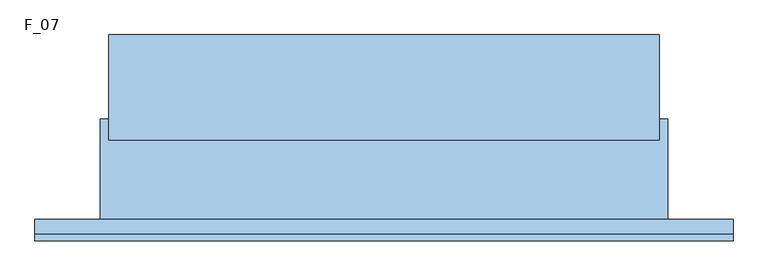
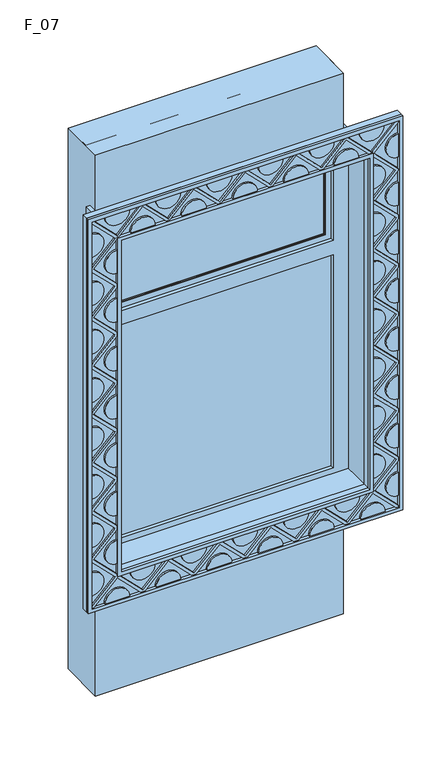
"""IFC4 building model written with IfcOpenShell, lengths in millimetres: window geometry, F_07."""

from ifc_helpers import new_model, si_unit, point, frame, frame_2d, origin, origin_with_axes, place, context, project, spatial, polyline, circle_curve, ellipse_curve, trimmed, segment, composite_curve, outline, extrude, faceted_brep, source, transform, mapped, element, save
from ifc_brep_helpers import plane_surface, revolved_surface, advanced_brep


def f_07_2378c978(model_context):
    return source(origin(), model_context, "Body", "SolidModel", [
        extrude(outline(polyline([(655.0, 220.0), (655.0, -30.0), (-655.0, -30.0), (-655.0, 220.0), (655.0, 220.0)])), origin_with_axes(), (0.0, 0.0, 1.0), 3020.0),
        extrude(outline(polyline([(2710.0, -675.0), (820.0, -675.0), (820.0, 675.0), (2710.0, 675.0), (2710.0, -675.0)]), holes=[polyline([(2690.0, -655.0), (2690.0, 655.0), (840.0, 655.0), (840.0, -655.0), (2690.0, -655.0)])]), frame((0.0, -270.0, 0.0), z_axis=(0.0, 1.0, 0.0), x_axis=(0.0, 0.0, 1.0)), (0.0, 0.0, 1.0), 15.0),
        extrude(outline(polyline([(665.0, -830.0), (665.0, 830.0), (2865.0, 830.0), (2865.0, -830.0), (665.0, -830.0)]), holes=[polyline([(2845.0, -810.0), (2845.0, 810.0), (685.0, 810.0), (685.0, -810.0), (2845.0, -810.0)])]), frame((0.0, -270.0, 0.0), z_axis=(0.0, 1.0, 0.0), x_axis=(0.0, 0.0, 1.0)), (0.0, 0.0, 1.0), 15.0),
        extrude(outline(polyline([(820.0, 685.6066017), (944.3933983, 810.0), (965.6066017, 810.0), (1090.0, 685.6066017), (1214.3933983, 810.0), (1235.6066017, 810.0), (1360.0, 685.6066017), (1484.3933983, 810.0), (1505.6066017, 810.0), (1630.0, 685.6066017), (1754.3933983, 810.0), (1775.6066017, 810.0), (1900.0, 685.6066017), (2024.3933983, 810.0), (2045.6066017, 810.0), (2170.0, 685.6066017), (2294.3933983, 810.0), (2315.6066017, 810.0), (2440.0, 685.6066017), (2564.3933983, 810.0), (2575.0, 810.0), (2704.6966991, 680.3033009), (2834.3933983, 810.0), (2845.0, 810.0), (2845.0, 799.3933983), (2715.3033009, 669.6966991), (2845.0, 540.0), (2845.0, 529.3933983), (2720.6066017, 405.0), (2845.0, 280.6066017), (2845.0, 259.3933983), (2720.6066017, 135.0), (2845.0, 10.6066017), (2845.0, -10.6066017), (2720.6066017, -135.0), (2845.0, -259.3933983), (2845.0, -280.6066017), (2720.6066017, -405.0), (2845.0, -529.3933983), (2845.0, -550.6066017), (2720.6066017, -675.0), (2845.0, -799.3933983), (2845.0, -810.0), (2834.3933983, -810.0), (2710.0, -685.6066017), (2585.6066017, -810.0), (2564.3933983, -810.0), (2440.0, -685.6066017), (2315.6066017, -810.0), (2294.3933983, -810.0), (2170.0, -685.6066017), (2045.6066017, -810.0), (2024.3933983, -810.0), (1900.0, -685.6066017), (1775.6066017, -810.0), (1754.3933983, -810.0), (1630.0, -685.6066017), (1505.6066017, -810.0), (1484.3933983, -810.0), (1360.0, -685.6066017), (1235.6066017, -810.0), (1214.3933983, -810.0), (1090.0, -685.6066017), (965.6066017, -810.0), (944.3933983, -810.0), (820.0, -685.6066017), (695.6066017, -810.0), (685.0, -810.0), (685.0, -799.3933983), (809.3933983, -675.0), (685.0, -550.6066017), (685.0, -529.3933983), (809.3933983, -405.0), (685.0, -280.6066017), (685.0, -259.3933983), (809.3933983, -135.0), (685.0, -10.6066017), (685.0, 10.6066017), (809.3933983, 135.0), (685.0, 259.3933983), (685.0, 280.6066017), (809.3933983, 405.0), (685.0, 529.3933983), (685.0, 550.6066017), (809.3933983, 675.0), (685.0, 799.3933983), (685.0, 810.0), (695.6066017, 810.0), (820.0, 685.6066017)]), holes=[polyline([(820.0, 664.3933983), (695.6066017, 540.0), (820.0, 415.6066017), (820.0, 394.3933983), (695.6066017, 270.0), (820.0, 145.6066017), (820.0, 124.3933983), (695.6066017, 0.0), (820.0, -124.3933983), (820.0, -145.6066017), (695.6066017, -270.0), (820.0, -394.3933983), (820.0, -415.6066017), (695.6066017, -540.0), (820.0, -664.3933983), (820.0, -675.0), (830.6066017, -675.0), (955.0, -799.3933983), (1079.3933983, -675.0), (1100.6066017, -675.0), (1225.0, -799.3933983), (1349.3933983, -675.0), (1370.6066017, -675.0), (1495.0, -799.3933983), (1619.3933983, -675.0), (1640.6066017, -675.0), (1765.0, -799.3933983), (1889.3933983, -675.0), (1910.6066017, -675.0), (2035.0, -799.3933983), (2159.3933983, -675.0), (2180.6066017, -675.0), (2305.0, -799.3933983), (2429.3933983, -675.0), (2450.6066017, -675.0), (2575.0, -799.3933983), (2699.3933983, -675.0), (2710.0, -675.0), (2710.0, -664.3933983), (2834.3933983, -540.0), (2710.0, -415.6066017), (2710.0, -394.3933983), (2834.3933983, -270.0), (2710.0, -145.6066017), (2710.0, -124.3933983), (2834.3933983, 0.0), (2710.0, 124.3933983), (2710.0, 145.6066017), (2834.3933983, 270.0), (2710.0, 394.3933983), (2710.0, 415.6066017), (2829.0900974, 534.6966991), (2710.0, 653.7867966), (2710.0, 675.0), (2688.7867966, 675.0), (2569.6966991, 794.0900974), (2450.6066017, 675.0), (2429.3933983, 675.0), (2305.0, 799.3933983), (2180.6066017, 675.0), (2159.3933983, 675.0), (2035.0, 799.3933983), (1910.6066017, 675.0), (1889.3933983, 675.0), (1765.0, 799.3933983), (1640.6066017, 675.0), (1619.3933983, 675.0), (1495.0, 799.3933983), (1370.6066017, 675.0), (1349.3933983, 675.0), (1225.0, 799.3933983), (1100.6066017, 675.0), (1079.3933983, 675.0), (955.0, 799.3933983), (830.6066017, 675.0), (820.0, 675.0), (820.0, 664.3933983)])]), frame((0.0, -265.0, 0.0), z_axis=(0.0, 1.0, 0.0), x_axis=(0.0, 0.0, 1.0)), (0.0, 0.0, 1.0), 10.0),
        extrude(outline(composite_curve([segment(polyline([(2845.0, 470.0), (2845.0, 340.0)]), True, "CONTINUOUS"), segment(trimmed(circle_curve(frame_2d((2845.0, 405.0)), 65.0), [point((2845.0, 340.0))], [point((2845.0, 470.0))], False, "CARTESIAN"), True, "CONTINUOUS")], self_intersect=False)), frame((0.0, -265.0, 0.0), z_axis=(0.0, 1.0, 0.0), x_axis=(0.0, 0.0, 1.0)), (0.0, 0.0, 1.0), 10.0),
        extrude(outline(composite_curve([segment(polyline([(2845.0, 200.0), (2845.0, 70.0)]), True, "CONTINUOUS"), segment(trimmed(circle_curve(frame_2d((2845.0, 135.0)), 65.0), [point((2845.0, 70.0))], [point((2845.0, 200.0))], False, "CARTESIAN"), True, "CONTINUOUS")], self_intersect=False)), frame((0.0, -265.0, 0.0), z_axis=(0.0, 1.0, 0.0), x_axis=(0.0, 0.0, 1.0)), (0.0, 0.0, 1.0), 10.0),
        extrude(outline(composite_curve([segment(polyline([(2845.0, -70.0), (2845.0, -200.0)]), True, "CONTINUOUS"), segment(trimmed(circle_curve(frame_2d((2845.0, -135.0)), 65.0), [point((2845.0, -200.0))], [point((2845.0, -70.0))], False, "CARTESIAN"), True, "CONTINUOUS")], self_intersect=False)), frame((0.0, -265.0, 0.0), z_axis=(0.0, 1.0, 0.0), x_axis=(0.0, 0.0, 1.0)), (0.0, 0.0, 1.0), 10.0),
        extrude(outline(composite_curve([segment(polyline([(2845.0, -340.0), (2845.0, -470.0)]), True, "CONTINUOUS"), segment(trimmed(circle_curve(frame_2d((2845.0, -405.0)), 65.0), [point((2845.0, -470.0))], [point((2845.0, -340.0))], False, "CARTESIAN"), True, "CONTINUOUS")], self_intersect=False)), frame((0.0, -265.0, 0.0), z_axis=(0.0, 1.0, 0.0), x_axis=(0.0, 0.0, 1.0)), (0.0, 0.0, 1.0), 10.0),
        extrude(outline(composite_curve([segment(polyline([(2845.0, -610.0), (2845.0, -740.0)]), True, "CONTINUOUS"), segment(trimmed(circle_curve(frame_2d((2845.0, -675.0)), 65.0), [point((2845.0, -740.0))], [point((2845.0, -610.0))], False, "CARTESIAN"), True, "CONTINUOUS")], self_intersect=False)), frame((0.0, -265.0, 0.0), z_axis=(0.0, 1.0, 0.0), x_axis=(0.0, 0.0, 1.0)), (0.0, 0.0, 1.0), 10.0),
        extrude(outline(composite_curve([segment(polyline([(2845.0, 735.0), (2845.0, 605.0)]), True, "CONTINUOUS"), segment(trimmed(circle_curve(frame_2d((2845.0, 670.0)), 65.0), [point((2845.0, 605.0))], [point((2845.0, 735.0))], False, "CARTESIAN"), True, "CONTINUOUS")], self_intersect=False)), frame((0.0, -265.0, 0.0), z_axis=(0.0, 1.0, 0.0), x_axis=(0.0, 0.0, 1.0)), (0.0, 0.0, 1.0), 10.0),
        extrude(outline(composite_curve([segment(trimmed(circle_curve(frame_2d((2710.0, 270.0)), 65.0), [point((2710.0, 335.0))], [point((2710.0, 205.0))], False, "CARTESIAN"), True, "CONTINUOUS"), segment(polyline([(2710.0, 205.0), (2710.0, 335.0)]), True, "CONTINUOUS")], self_intersect=False)), frame((0.0, -265.0, 0.0), z_axis=(0.0, 1.0, 0.0), x_axis=(0.0, 0.0, 1.0)), (0.0, 0.0, 1.0), 10.0),
        extrude(outline(composite_curve([segment(trimmed(circle_curve(frame_2d((2710.0, 534.6966991)), 65.0), [point((2710.0, 599.6966991))], [point((2710.0, 469.6966991))], False, "CARTESIAN"), True, "CONTINUOUS"), segment(polyline([(2710.0, 469.6966991), (2710.0, 599.6966991)]), True, "CONTINUOUS")], self_intersect=False)), frame((0.0, -265.0, 0.0), z_axis=(0.0, 1.0, 0.0), x_axis=(0.0, 0.0, 1.0)), (0.0, 0.0, 1.0), 10.0),
        extrude(outline(composite_curve([segment(trimmed(circle_curve(frame_2d((2710.0, 0.0)), 65.0), [point((2710.0, 65.0))], [point((2710.0, -65.0))], False, "CARTESIAN"), True, "CONTINUOUS"), segment(polyline([(2710.0, -65.0), (2710.0, 65.0)]), True, "CONTINUOUS")], self_intersect=False)), frame((0.0, -265.0, 0.0), z_axis=(0.0, 1.0, 0.0), x_axis=(0.0, 0.0, 1.0)), (0.0, 0.0, 1.0), 10.0),
        extrude(outline(composite_curve([segment(trimmed(circle_curve(frame_2d((2710.0, -270.0)), 65.0), [point((2710.0, -205.0))], [point((2710.0, -335.0))], False, "CARTESIAN"), True, "CONTINUOUS"), segment(polyline([(2710.0, -335.0), (2710.0, -205.0)]), True, "CONTINUOUS")], self_intersect=False)), frame((0.0, -265.0, 0.0), z_axis=(0.0, 1.0, 0.0), x_axis=(0.0, 0.0, 1.0)), (0.0, 0.0, 1.0), 10.0),
        extrude(outline(composite_curve([segment(trimmed(circle_curve(frame_2d((2710.0, -540.0)), 65.0), [point((2710.0, -475.0))], [point((2710.0, -605.0))], False, "CARTESIAN"), True, "CONTINUOUS"), segment(polyline([(2710.0, -605.0), (2710.0, -475.0)]), True, "CONTINUOUS")], self_intersect=False)), frame((0.0, -265.0, 0.0), z_axis=(0.0, 1.0, 0.0), x_axis=(0.0, 0.0, 1.0)), (0.0, 0.0, 1.0), 10.0),
        extrude(outline(composite_curve([segment(polyline([(820.0, 605.0), (820.0, 475.0)]), True, "CONTINUOUS"), segment(trimmed(circle_curve(frame_2d((820.0, 540.0)), 65.0), [point((820.0, 475.0))], [point((820.0, 605.0))], False, "CARTESIAN"), True, "CONTINUOUS")], self_intersect=False)), frame((0.0, -265.0, 0.0), z_axis=(0.0, 1.0, 0.0), x_axis=(0.0, 0.0, 1.0)), (0.0, 0.0, 1.0), 10.0),
        extrude(outline(composite_curve([segment(polyline([(820.0, 335.0), (820.0, 205.0)]), True, "CONTINUOUS"), segment(trimmed(circle_curve(frame_2d((820.0, 270.0)), 65.0), [point((820.0, 205.0))], [point((820.0, 335.0))], False, "CARTESIAN"), True, "CONTINUOUS")], self_intersect=False)), frame((0.0, -265.0, 0.0), z_axis=(0.0, 1.0, 0.0), x_axis=(0.0, 0.0, 1.0)), (0.0, 0.0, 1.0), 10.0),
        extrude(outline(composite_curve([segment(polyline([(820.0, 65.0), (820.0, -65.0)]), True, "CONTINUOUS"), segment(trimmed(circle_curve(frame_2d((820.0, 0.0)), 65.0), [point((820.0, -65.0))], [point((820.0, 65.0))], False, "CARTESIAN"), True, "CONTINUOUS")], self_intersect=False)), frame((0.0, -265.0, 0.0), z_axis=(0.0, 1.0, 0.0), x_axis=(0.0, 0.0, 1.0)), (0.0, 0.0, 1.0), 10.0),
        extrude(outline(composite_curve([segment(polyline([(820.0, -205.0), (820.0, -335.0)]), True, "CONTINUOUS"), segment(trimmed(circle_curve(frame_2d((820.0, -270.0)), 65.0), [point((820.0, -335.0))], [point((820.0, -205.0))], False, "CARTESIAN"), True, "CONTINUOUS")], self_intersect=False)), frame((0.0, -265.0, 0.0), z_axis=(0.0, 1.0, 0.0), x_axis=(0.0, 0.0, 1.0)), (0.0, 0.0, 1.0), 10.0),
        extrude(outline(composite_curve([segment(polyline([(820.0, -475.0), (820.0, -605.0)]), True, "CONTINUOUS"), segment(trimmed(circle_curve(frame_2d((820.0, -540.0)), 65.0), [point((820.0, -605.0))], [point((820.0, -475.0))], False, "CARTESIAN"), True, "CONTINUOUS")], self_intersect=False)), frame((0.0, -265.0, 0.0), z_axis=(0.0, 1.0, 0.0), x_axis=(0.0, 0.0, 1.0)), (0.0, 0.0, 1.0), 10.0),
        extrude(outline(composite_curve([segment(trimmed(circle_curve(frame_2d((685.0, 405.0)), 65.0), [point((685.0, 470.0))], [point((685.0, 340.0))], False, "CARTESIAN"), True, "CONTINUOUS"), segment(polyline([(685.0, 340.0), (685.0, 470.0)]), True, "CONTINUOUS")], self_intersect=False)), frame((0.0, -265.0, 0.0), z_axis=(0.0, 1.0, 0.0), x_axis=(0.0, 0.0, 1.0)), (0.0, 0.0, 1.0), 10.0),
        extrude(outline(composite_curve([segment(trimmed(circle_curve(frame_2d((685.0, 135.0)), 65.0), [point((685.0, 200.0))], [point((685.0, 70.0))], False, "CARTESIAN"), True, "CONTINUOUS"), segment(polyline([(685.0, 70.0), (685.0, 200.0)]), True, "CONTINUOUS")], self_intersect=False)), frame((0.0, -265.0, 0.0), z_axis=(0.0, 1.0, 0.0), x_axis=(0.0, 0.0, 1.0)), (0.0, 0.0, 1.0), 10.0),
        extrude(outline(composite_curve([segment(trimmed(circle_curve(frame_2d((685.0, 675.0)), 65.0), [point((685.0, 740.0))], [point((685.0, 610.0))], False, "CARTESIAN"), True, "CONTINUOUS"), segment(polyline([(685.0, 610.0), (685.0, 740.0)]), True, "CONTINUOUS")], self_intersect=False)), frame((0.0, -265.0, 0.0), z_axis=(0.0, 1.0, 0.0), x_axis=(0.0, 0.0, 1.0)), (0.0, 0.0, 1.0), 10.0),
        extrude(outline(composite_curve([segment(trimmed(circle_curve(frame_2d((685.0, -135.0)), 65.0), [point((685.0, -70.0))], [point((685.0, -200.0))], False, "CARTESIAN"), True, "CONTINUOUS"), segment(polyline([(685.0, -200.0), (685.0, -70.0)]), True, "CONTINUOUS")], self_intersect=False)), frame((0.0, -265.0, 0.0), z_axis=(0.0, 1.0, 0.0), x_axis=(0.0, 0.0, 1.0)), (0.0, 0.0, 1.0), 10.0),
        extrude(outline(composite_curve([segment(trimmed(circle_curve(frame_2d((685.0, -405.0)), 65.0), [point((685.0, -340.0))], [point((685.0, -470.0))], False, "CARTESIAN"), True, "CONTINUOUS"), segment(polyline([(685.0, -470.0), (685.0, -340.0)]), True, "CONTINUOUS")], self_intersect=False)), frame((0.0, -265.0, 0.0), z_axis=(0.0, 1.0, 0.0), x_axis=(0.0, 0.0, 1.0)), (0.0, 0.0, 1.0), 10.0),
        extrude(outline(composite_curve([segment(trimmed(circle_curve(frame_2d((685.0, -675.0)), 65.0), [point((685.0, -610.0))], [point((685.0, -740.0))], False, "CARTESIAN"), True, "CONTINUOUS"), segment(polyline([(685.0, -740.0), (685.0, -610.0)]), True, "CONTINUOUS")], self_intersect=False)), frame((0.0, -265.0, 0.0), z_axis=(0.0, 1.0, 0.0), x_axis=(0.0, 0.0, 1.0)), (0.0, 0.0, 1.0), 10.0),
        extrude(outline(composite_curve([segment(trimmed(circle_curve(frame_2d((1090.0, -810.0)), 65.0), [point((1025.0, -810.0))], [point((1155.0, -810.0))], False, "CARTESIAN"), True, "CONTINUOUS"), segment(polyline([(1155.0, -810.0), (1025.0, -810.0)]), True, "CONTINUOUS")], self_intersect=False)), frame((0.0, -265.0, 0.0), z_axis=(0.0, 1.0, 0.0), x_axis=(0.0, 0.0, 1.0)), (0.0, 0.0, 1.0), 10.0),
        extrude(outline(composite_curve([segment(trimmed(circle_curve(frame_2d((955.0, -675.0)), 65.0), [point((1020.0, -675.0))], [point((890.0, -675.0))], False, "CARTESIAN"), True, "CONTINUOUS"), segment(polyline([(890.0, -675.0), (1020.0, -675.0)]), True, "CONTINUOUS")], self_intersect=False)), frame((0.0, -265.0, 0.0), z_axis=(0.0, 1.0, 0.0), x_axis=(0.0, 0.0, 1.0)), (0.0, 0.0, 1.0), 10.0),
        extrude(outline(composite_curve([segment(trimmed(circle_curve(frame_2d((820.0, -810.0)), 65.0), [point((755.0, -810.0))], [point((885.0, -810.0))], False, "CARTESIAN"), True, "CONTINUOUS"), segment(polyline([(885.0, -810.0), (755.0, -810.0)]), True, "CONTINUOUS")], self_intersect=False)), frame((0.0, -265.0, 0.0), z_axis=(0.0, 1.0, 0.0), x_axis=(0.0, 0.0, 1.0)), (0.0, 0.0, 1.0), 10.0),
        extrude(outline(composite_curve([segment(trimmed(circle_curve(frame_2d((1360.0, -810.0)), 65.0), [point((1295.0, -810.0))], [point((1425.0, -810.0))], False, "CARTESIAN"), True, "CONTINUOUS"), segment(polyline([(1425.0, -810.0), (1295.0, -810.0)]), True, "CONTINUOUS")], self_intersect=False)), frame((0.0, -265.0, 0.0), z_axis=(0.0, 1.0, 0.0), x_axis=(0.0, 0.0, 1.0)), (0.0, 0.0, 1.0), 10.0),
        extrude(outline(composite_curve([segment(trimmed(circle_curve(frame_2d((1630.0, -810.0)), 65.0), [point((1565.0, -810.0))], [point((1695.0, -810.0))], False, "CARTESIAN"), True, "CONTINUOUS"), segment(polyline([(1695.0, -810.0), (1565.0, -810.0)]), True, "CONTINUOUS")], self_intersect=False)), frame((0.0, -265.0, 0.0), z_axis=(0.0, 1.0, 0.0), x_axis=(0.0, 0.0, 1.0)), (0.0, 0.0, 1.0), 10.0),
        extrude(outline(composite_curve([segment(trimmed(circle_curve(frame_2d((1900.0, -810.0)), 65.0), [point((1835.0, -810.0))], [point((1965.0, -810.0))], False, "CARTESIAN"), True, "CONTINUOUS"), segment(polyline([(1965.0, -810.0), (1835.0, -810.0)]), True, "CONTINUOUS")], self_intersect=False)), frame((0.0, -265.0, 0.0), z_axis=(0.0, 1.0, 0.0), x_axis=(0.0, 0.0, 1.0)), (0.0, 0.0, 1.0), 10.0),
        extrude(outline(composite_curve([segment(trimmed(circle_curve(frame_2d((2170.0, -810.0)), 65.0), [point((2105.0, -810.0))], [point((2235.0, -810.0))], False, "CARTESIAN"), True, "CONTINUOUS"), segment(polyline([(2235.0, -810.0), (2105.0, -810.0)]), True, "CONTINUOUS")], self_intersect=False)), frame((0.0, -265.0, 0.0), z_axis=(0.0, 1.0, 0.0), x_axis=(0.0, 0.0, 1.0)), (0.0, 0.0, 1.0), 10.0),
        extrude(outline(composite_curve([segment(trimmed(circle_curve(frame_2d((2440.0, -810.0)), 65.0), [point((2375.0, -810.0))], [point((2505.0, -810.0))], False, "CARTESIAN"), True, "CONTINUOUS"), segment(polyline([(2505.0, -810.0), (2375.0, -810.0)]), True, "CONTINUOUS")], self_intersect=False)), frame((0.0, -265.0, 0.0), z_axis=(0.0, 1.0, 0.0), x_axis=(0.0, 0.0, 1.0)), (0.0, 0.0, 1.0), 10.0),
        extrude(outline(composite_curve([segment(trimmed(circle_curve(frame_2d((2710.0, -810.0)), 65.0), [point((2645.0, -810.0))], [point((2775.0, -810.0))], False, "CARTESIAN"), True, "CONTINUOUS"), segment(polyline([(2775.0, -810.0), (2645.0, -810.0)]), True, "CONTINUOUS")], self_intersect=False)), frame((0.0, -265.0, 0.0), z_axis=(0.0, 1.0, 0.0), x_axis=(0.0, 0.0, 1.0)), (0.0, 0.0, 1.0), 10.0),
        extrude(outline(composite_curve([segment(trimmed(circle_curve(frame_2d((2569.6966991, 675.0)), 65.0), [point((2504.6966991, 675.0))], [point((2634.6966991, 675.0))], False, "CARTESIAN"), True, "CONTINUOUS"), segment(polyline([(2634.6966991, 675.0), (2504.6966991, 675.0)]), True, "CONTINUOUS")], self_intersect=False)), frame((0.0, -265.0, 0.0), z_axis=(0.0, 1.0, 0.0), x_axis=(0.0, 0.0, 1.0)), (0.0, 0.0, 1.0), 10.0),
        extrude(outline(composite_curve([segment(trimmed(circle_curve(frame_2d((2305.0, 675.0)), 65.0), [point((2240.0, 675.0))], [point((2370.0, 675.0))], False, "CARTESIAN"), True, "CONTINUOUS"), segment(polyline([(2370.0, 675.0), (2240.0, 675.0)]), True, "CONTINUOUS")], self_intersect=False)), frame((0.0, -265.0, 0.0), z_axis=(0.0, 1.0, 0.0), x_axis=(0.0, 0.0, 1.0)), (0.0, 0.0, 1.0), 10.0),
        extrude(outline(composite_curve([segment(trimmed(circle_curve(frame_2d((2035.0, 675.0)), 65.0), [point((1970.0, 675.0))], [point((2100.0, 675.0))], False, "CARTESIAN"), True, "CONTINUOUS"), segment(polyline([(2100.0, 675.0), (1970.0, 675.0)]), True, "CONTINUOUS")], self_intersect=False)), frame((0.0, -265.0, 0.0), z_axis=(0.0, 1.0, 0.0), x_axis=(0.0, 0.0, 1.0)), (0.0, 0.0, 1.0), 10.0),
        extrude(outline(composite_curve([segment(trimmed(circle_curve(frame_2d((1765.0, 675.0)), 65.0), [point((1700.0, 675.0))], [point((1830.0, 675.0))], False, "CARTESIAN"), True, "CONTINUOUS"), segment(polyline([(1830.0, 675.0), (1700.0, 675.0)]), True, "CONTINUOUS")], self_intersect=False)), frame((0.0, -265.0, 0.0), z_axis=(0.0, 1.0, 0.0), x_axis=(0.0, 0.0, 1.0)), (0.0, 0.0, 1.0), 10.0),
        extrude(outline(composite_curve([segment(trimmed(circle_curve(frame_2d((1225.0, 675.0)), 65.0), [point((1160.0, 675.0))], [point((1290.0, 675.0))], False, "CARTESIAN"), True, "CONTINUOUS"), segment(polyline([(1290.0, 675.0), (1160.0, 675.0)]), True, "CONTINUOUS")], self_intersect=False)), frame((0.0, -265.0, 0.0), z_axis=(0.0, 1.0, 0.0), x_axis=(0.0, 0.0, 1.0)), (0.0, 0.0, 1.0), 10.0),
        extrude(outline(composite_curve([segment(trimmed(circle_curve(frame_2d((955.0, 675.0)), 65.0), [point((890.0, 675.0))], [point((1020.0, 675.0))], False, "CARTESIAN"), True, "CONTINUOUS"), segment(polyline([(1020.0, 675.0), (890.0, 675.0)]), True, "CONTINUOUS")], self_intersect=False)), frame((0.0, -265.0, 0.0), z_axis=(0.0, 1.0, 0.0), x_axis=(0.0, 0.0, 1.0)), (0.0, 0.0, 1.0), 10.0),
        extrude(outline(composite_curve([segment(trimmed(circle_curve(frame_2d((1495.0, 675.0)), 65.0), [point((1430.0, 675.0))], [point((1560.0, 675.0))], False, "CARTESIAN"), True, "CONTINUOUS"), segment(polyline([(1560.0, 675.0), (1430.0, 675.0)]), True, "CONTINUOUS")], self_intersect=False)), frame((0.0, -265.0, 0.0), z_axis=(0.0, 1.0, 0.0), x_axis=(0.0, 0.0, 1.0)), (0.0, 0.0, 1.0), 10.0),
        extrude(outline(composite_curve([segment(trimmed(circle_curve(frame_2d((1225.0, -675.0)), 65.0), [point((1290.0, -675.0))], [point((1160.0, -675.0))], False, "CARTESIAN"), True, "CONTINUOUS"), segment(polyline([(1160.0, -675.0), (1290.0, -675.0)]), True, "CONTINUOUS")], self_intersect=False)), frame((0.0, -265.0, 0.0), z_axis=(0.0, 1.0, 0.0), x_axis=(0.0, 0.0, 1.0)), (0.0, 0.0, 1.0), 10.0),
        extrude(outline(composite_curve([segment(trimmed(circle_curve(frame_2d((1495.0, -675.0)), 65.0), [point((1560.0, -675.0))], [point((1430.0, -675.0))], False, "CARTESIAN"), True, "CONTINUOUS"), segment(polyline([(1430.0, -675.0), (1560.0, -675.0)]), True, "CONTINUOUS")], self_intersect=False)), frame((0.0, -265.0, 0.0), z_axis=(0.0, 1.0, 0.0), x_axis=(0.0, 0.0, 1.0)), (0.0, 0.0, 1.0), 10.0),
        extrude(outline(composite_curve([segment(trimmed(circle_curve(frame_2d((1765.0, -675.0)), 65.0), [point((1830.0, -675.0))], [point((1700.0, -675.0))], False, "CARTESIAN"), True, "CONTINUOUS"), segment(polyline([(1700.0, -675.0), (1830.0, -675.0)]), True, "CONTINUOUS")], self_intersect=False)), frame((0.0, -265.0, 0.0), z_axis=(0.0, 1.0, 0.0), x_axis=(0.0, 0.0, 1.0)), (0.0, 0.0, 1.0), 10.0),
        extrude(outline(composite_curve([segment(trimmed(circle_curve(frame_2d((2035.0, -675.0)), 65.0), [point((2100.0, -675.0))], [point((1970.0, -675.0))], False, "CARTESIAN"), True, "CONTINUOUS"), segment(polyline([(1970.0, -675.0), (2100.0, -675.0)]), True, "CONTINUOUS")], self_intersect=False)), frame((0.0, -265.0, 0.0), z_axis=(0.0, 1.0, 0.0), x_axis=(0.0, 0.0, 1.0)), (0.0, 0.0, 1.0), 10.0),
        extrude(outline(composite_curve([segment(trimmed(circle_curve(frame_2d((2305.0, -675.0)), 65.0), [point((2370.0, -675.0))], [point((2240.0, -675.0))], False, "CARTESIAN"), True, "CONTINUOUS"), segment(polyline([(2240.0, -675.0), (2370.0, -675.0)]), True, "CONTINUOUS")], self_intersect=False)), frame((0.0, -265.0, 0.0), z_axis=(0.0, 1.0, 0.0), x_axis=(0.0, 0.0, 1.0)), (0.0, 0.0, 1.0), 10.0),
        extrude(outline(composite_curve([segment(trimmed(circle_curve(frame_2d((2575.0, -675.0)), 65.0), [point((2640.0, -675.0))], [point((2510.0, -675.0))], False, "CARTESIAN"), True, "CONTINUOUS"), segment(polyline([(2510.0, -675.0), (2640.0, -675.0)]), True, "CONTINUOUS")], self_intersect=False)), frame((0.0, -265.0, 0.0), z_axis=(0.0, 1.0, 0.0), x_axis=(0.0, 0.0, 1.0)), (0.0, 0.0, 1.0), 10.0),
        extrude(outline(composite_curve([segment(trimmed(circle_curve(frame_2d((2704.6966991, 810.0)), 65.0), [point((2769.6966991, 810.0))], [point((2639.6966991, 810.0))], False, "CARTESIAN"), True, "CONTINUOUS"), segment(polyline([(2639.6966991, 810.0), (2769.6966991, 810.0)]), True, "CONTINUOUS")], self_intersect=False)), frame((0.0, -265.0, 0.0), z_axis=(0.0, 1.0, 0.0), x_axis=(0.0, 0.0, 1.0)), (0.0, 0.0, 1.0), 10.0),
        extrude(outline(composite_curve([segment(trimmed(circle_curve(frame_2d((2434.6966991, 810.0)), 65.0), [point((2499.6966991, 810.0))], [point((2369.6966991, 810.0))], False, "CARTESIAN"), True, "CONTINUOUS"), segment(polyline([(2369.6966991, 810.0), (2499.6966991, 810.0)]), True, "CONTINUOUS")], self_intersect=False)), frame((0.0, -265.0, 0.0), z_axis=(0.0, 1.0, 0.0), x_axis=(0.0, 0.0, 1.0)), (0.0, 0.0, 1.0), 10.0),
        extrude(outline(composite_curve([segment(trimmed(circle_curve(frame_2d((2164.6966991, 810.0)), 65.0), [point((2229.6966991, 810.0))], [point((2099.6966991, 810.0))], False, "CARTESIAN"), True, "CONTINUOUS"), segment(polyline([(2099.6966991, 810.0), (2229.6966991, 810.0)]), True, "CONTINUOUS")], self_intersect=False)), frame((0.0, -265.0, 0.0), z_axis=(0.0, 1.0, 0.0), x_axis=(0.0, 0.0, 1.0)), (0.0, 0.0, 1.0), 10.0),
        extrude(outline(composite_curve([segment(trimmed(circle_curve(frame_2d((1894.6966991, 810.0)), 65.0), [point((1959.6966991, 810.0))], [point((1829.6966991, 810.0))], False, "CARTESIAN"), True, "CONTINUOUS"), segment(polyline([(1829.6966991, 810.0), (1959.6966991, 810.0)]), True, "CONTINUOUS")], self_intersect=False)), frame((0.0, -265.0, 0.0), z_axis=(0.0, 1.0, 0.0), x_axis=(0.0, 0.0, 1.0)), (0.0, 0.0, 1.0), 10.0),
        extrude(outline(composite_curve([segment(trimmed(circle_curve(frame_2d((1624.6966991, 810.0)), 65.0), [point((1689.6966991, 810.0))], [point((1559.6966991, 810.0))], False, "CARTESIAN"), True, "CONTINUOUS"), segment(polyline([(1559.6966991, 810.0), (1689.6966991, 810.0)]), True, "CONTINUOUS")], self_intersect=False)), frame((0.0, -265.0, 0.0), z_axis=(0.0, 1.0, 0.0), x_axis=(0.0, 0.0, 1.0)), (0.0, 0.0, 1.0), 10.0),
        extrude(outline(composite_curve([segment(trimmed(circle_curve(frame_2d((1354.6966991, 810.0)), 65.0), [point((1419.6966991, 810.0))], [point((1289.6966991, 810.0))], False, "CARTESIAN"), True, "CONTINUOUS"), segment(polyline([(1289.6966991, 810.0), (1419.6966991, 810.0)]), True, "CONTINUOUS")], self_intersect=False)), frame((0.0, -265.0, 0.0), z_axis=(0.0, 1.0, 0.0), x_axis=(0.0, 0.0, 1.0)), (0.0, 0.0, 1.0), 10.0),
        extrude(outline(composite_curve([segment(trimmed(circle_curve(frame_2d((1084.6966991, 810.0)), 65.0), [point((1149.6966991, 810.0))], [point((1019.6966991, 810.0))], False, "CARTESIAN"), True, "CONTINUOUS"), segment(polyline([(1019.6966991, 810.0), (1149.6966991, 810.0)]), True, "CONTINUOUS")], self_intersect=False)), frame((0.0, -265.0, 0.0), z_axis=(0.0, 1.0, 0.0), x_axis=(0.0, 0.0, 1.0)), (0.0, 0.0, 1.0), 10.0),
        extrude(outline(composite_curve([segment(trimmed(circle_curve(frame_2d((814.6966991, 810.0)), 65.0), [point((879.6966991, 810.0))], [point((749.6966991, 810.0))], False, "CARTESIAN"), True, "CONTINUOUS"), segment(polyline([(749.6966991, 810.0), (879.6966991, 810.0)]), True, "CONTINUOUS")], self_intersect=False)), frame((0.0, -265.0, 0.0), z_axis=(0.0, 1.0, 0.0), x_axis=(0.0, 0.0, 1.0)), (0.0, 0.0, 1.0), 10.0),
        extrude(outline(polyline([(665.0, -830.0), (665.0, 830.0), (2865.0, 830.0), (2865.0, -830.0), (665.0, -830.0)]), holes=[polyline([(2690.0, -655.0), (2690.0, 655.0), (840.0, 655.0), (840.0, -655.0), (2690.0, -655.0)])]), frame((0.0, -255.0, 0.0), z_axis=(0.0, 1.0, 0.0), x_axis=(0.0, 0.0, 1.0)), (0.0, 0.0, 1.0), 35.0),
        faceted_brep([(610.0, 126.0115087, 2975.0), (610.0, 126.0115087, 2735.0), (610.0, 136.0115087, 2735.0), (610.0, 136.0115087, 2975.0), (575.0, 136.0115087, 2770.0), (575.0, 131.0115087, 2770.0), (575.0, 131.0115087, 2940.0), (575.0, 136.0115087, 2940.0), (580.0, 141.0115087, 2945.0), (580.0, 141.0115087, 2765.0), (580.0, 136.0115087, 2765.0), (580.0, 136.0115087, 2945.0), (605.0, 136.0115087, 2970.0), (605.0, 136.0115087, 2740.0), (605.0, 141.0115087, 2740.0), (605.0, 141.0115087, 2970.0), (-610.0, 126.0115087, 2735.0), (-610.0, 136.0115087, 2735.0), (-575.0, 136.0115087, 2770.0), (-575.0, 131.0115087, 2770.0), (-580.0, 141.0115087, 2765.0), (-580.0, 136.0115087, 2765.0), (-605.0, 136.0115087, 2740.0), (-605.0, 141.0115087, 2740.0), (-610.0, 126.0115087, 2975.0), (-610.0, 136.0115087, 2975.0), (-575.0, 136.0115087, 2940.0), (-575.0, 131.0115087, 2940.0), (-580.0, 141.0115087, 2945.0), (-580.0, 136.0115087, 2945.0), (-605.0, 136.0115087, 2970.0), (-605.0, 141.0115087, 2970.0)], [[[0, 1, 2, 3]], [[4, 5, 6, 7]], [[8, 9, 10, 11]], [[12, 13, 14, 15]], [[1, 16, 17, 2]], [[18, 19, 5, 4]], [[9, 20, 21, 10]], [[13, 22, 23, 14]], [[16, 24, 25, 17]], [[26, 27, 19, 18]], [[20, 28, 29, 21]], [[22, 30, 31, 23]], [[3, 25, 24, 0]], [[7, 6, 27, 26]], [[10, 21, 29, 11], [7, 26, 18, 4]], [[11, 29, 28, 8]], [[14, 23, 31, 15], [8, 28, 20, 9]], [[15, 31, 30, 12]], [[2, 17, 25, 3], [12, 30, 22, 13]], [[5, 19, 27, 6]], [[0, 24, 16, 1]]]),
        extrude(outline(polyline([(655.0, 126.0115087), (655.0, 60.0115087), (-655.0, 60.0115087), (-655.0, 126.0115087), (655.0, 126.0115087)])), frame((0.0, 0.0, 2690.0), z_axis=(0.0, 0.0, 1.0), x_axis=(1.0, 0.0, 0.0)), (0.0, 0.0, 1.0), 330.0),
        extrude(outline(polyline([(67.2514037, 1361.1787194), (70.0115087, 1363.9388244), (70.0115087, 2690.0), (71.0115087, 2690.0), (71.0115087, 1363.5246108), (67.8266265, 1360.3397286), (60.0, 1356.876336), (60.0, 1357.969871), (67.2514037, 1361.1787194)])), frame((615.0, 0.0, 0.0), z_axis=(1.0, 0.0, 0.0), x_axis=(0.0, 1.0, 0.0)), (0.0, 0.0, 1.0), 20.0),
        extrude(outline(polyline([(612.5, 66.8371902), (637.5, 66.8371902), (637.5, 60.0), (612.5, 60.0), (612.5, 66.8371902)])), frame((0.0, 0.0, 1352.7610226), z_axis=(0.0, 0.0, 1.0), x_axis=(1.0, 0.0, 0.0)), (0.0, 0.0, 1.0), 1.0),
        extrude(outline(polyline([(66.8371902, 1362.1787194), (69.304402, 1364.6459312), (70.0115087, 1363.9388244), (67.2514037, 1361.1787194), (60.0, 1361.1787194), (60.0, 1362.1787194), (66.8371902, 1362.1787194)])), frame((612.5, 0.0, 0.0), z_axis=(1.0, 0.0, 0.0), x_axis=(0.0, 1.0, 0.0)), (0.0, 0.0, 1.0), 25.0),
        extrude(outline(polyline([(1520.0, 605.0), (1300.0, 605.0), (1300.0, 645.0), (1520.0, 645.0), (1520.0, 605.0)]), holes=[polyline([(1362.1787194, 612.5), (1362.1787194, 637.5), (1352.7610226, 637.5), (1352.7610226, 612.5), (1362.1787194, 612.5)])]), frame((0.0, 60.0, 0.0), z_axis=(0.0, 1.0, 0.0), x_axis=(0.0, 0.0, 1.0)), (0.0, 0.0, 1.0), 2.0),
        advanced_brep(
        [(-28.5497704, 90.2287724, 1428.0503471), (-14.693364, 90.2287724, 1420.0503471), (14.693364, 90.2287724, 1502.9496529), (28.5497704, 90.2287724, 1494.9496529)],
        [
            (0, 1, ellipse_curve(frame((-21.6215672, 90.2287724, 1424.0503471), z_axis=(-0.46984631039295827, -0.3420201433256777, -0.8137976813493676), x_axis=(0.8660254037844349, 0.0, -0.5000000000000066)), 8.0, 3.5)),
            (1, 0, ellipse_curve(frame((-21.6215672, 90.2287724, 1424.0503471), z_axis=(-0.46984631039295827, -0.3420201433256777, -0.8137976813493676), x_axis=(0.8660254037844349, 0.0, -0.5000000000000066)), 8.0, 3.5)),
            (2, 3, ellipse_curve(frame((21.6215672, 90.2287724, 1498.9496529), z_axis=(0.46984631039296154, -0.3420201433256599, 0.8137976813493732), x_axis=(0.8660254037844355, 0.0, -0.5000000000000056)), 8.0, 3.5)),
            (3, 2, ellipse_curve(frame((21.6215672, 90.2287724, 1498.9496529), z_axis=(0.46984631039296154, -0.3420201433256599, 0.8137976813493732), x_axis=(0.8660254037844355, 0.0, -0.5000000000000056)), 8.0, 3.5)),
            (2, 0, circle_curve(frame((-6.9282032, -28.580763, 1465.5), z_axis=(-0.8660254037844353, 0.0, 0.500000000000006), x_axis=(-0.1710100716628409, 0.9396926207859051, -0.29619813272603046)), 126.4344667)),
            (1, 3, circle_curve(frame((6.9282032, -28.580763, 1457.5), z_axis=(0.8660254037844353, 0.0, -0.500000000000006), x_axis=(-0.1710100716628409, 0.9396926207859051, -0.29619813272603046)), 126.4344667)),
        ],
        [
            plane_surface(frame((40.0926994, 87.5471681, 1389.5466142), z_axis=(-0.4698463103929582, -0.34202014332567776, -0.8137976813493677), x_axis=(-0.8660254037844352, 0.0, 0.500000000000006))),
            plane_surface(frame((82.3598097, 87.5471681, 1462.7553967), z_axis=(0.4698463103929615, -0.34202014332565983, 0.8137976813493734), x_axis=(-0.8660254037844352, 0.0, 0.500000000000006))),
            revolved_surface(trimmed(ellipse_curve(frame((-21.6215672, 90.2287724, 1424.0503471), z_axis=(0.46984631039295827, 0.3420201433256777, 0.8137976813493676), x_axis=(0.8660254037844349, 0.0, -0.5000000000000066)), 8.0, 3.5), [point((-28.5497704, 90.2287724, 1428.0503471))], [point((-14.693364, 90.2287724, 1420.0503471))], True, "CARTESIAN"), (61.2262546, -28.580763, 1426.1510055), (-0.8660254037844353, 0.0, 0.500000000000006)),
            revolved_surface(trimmed(ellipse_curve(frame((-21.6215672, 90.2287724, 1424.0503471), z_axis=(0.46984631039295827, 0.3420201433256777, 0.8137976813493676), x_axis=(0.8660254037844349, 0.0, -0.5000000000000066)), 8.0, 3.5), [point((-14.693364, 90.2287724, 1420.0503471))], [point((-28.5497704, 90.2287724, 1428.0503471))], True, "CARTESIAN"), (61.2262546, -28.580763, 1426.1510055), (-0.8660254037844353, 0.0, 0.500000000000006)),
        ],
        [
            (0, [[1, 2]]),
            (1, [[3, 4]]),
            (2, [[-3, 5, -2, 6]]),
            (3, [[-4, -6, -1, -5]]),
        ],
    ),
        extrude(outline(composite_curve([segment(trimmed(circle_curve(frame_2d((1461.5, 0.0)), 3.5), [point((1461.5, -3.5))], [point((1461.5, 3.5))], False, "CARTESIAN"), True, "CONTINUOUS"), segment(trimmed(circle_curve(frame_2d((1461.5, 0.0)), 3.5), [point((1461.5, 3.5))], [point((1461.5, -3.5))], False, "CARTESIAN"), True, "CONTINUOUS")], self_intersect=False)), frame((0.0, 85.0, 0.0), z_axis=(0.0, 1.0, 0.0), x_axis=(0.0, 0.0, 1.0)), (0.0, 0.0, 1.0), 10.0),
        extrude(outline(composite_curve([segment(polyline([(1525.8020109, -15.0), (1395.8020109, -15.0)]), True, "CONTINUOUS"), segment(trimmed(circle_curve(frame_2d((1395.8020109, 0.0)), 15.0), [point((1395.8020109, -15.0))], [point((1395.8020109, 15.0))], False, "CARTESIAN"), True, "CONTINUOUS"), segment(polyline([(1395.8020109, 15.0), (1525.8020109, 15.0)]), True, "CONTINUOUS"), segment(trimmed(circle_curve(frame_2d((1525.8020109, 0.0)), 15.0), [point((1525.8020109, 15.0))], [point((1525.8020109, -15.0))], False, "CARTESIAN"), True, "CONTINUOUS")], self_intersect=False)), frame((0.0, 80.0, 0.0), z_axis=(0.0, 1.0, 0.0), x_axis=(0.0, 0.0, 1.0)), (0.0, 0.0, 1.0), 5.0),
        faceted_brep([(-655.0, -50.0, 840.0), (655.0, -50.0, 840.0), (655.0, -74.0, 840.0), (-655.0, -74.0, 840.0), (-655.0, -50.0, 2690.0), (-655.0, -74.0, 2690.0), (655.0, -74.0, 2690.0), (-575.0, -74.0, 2620.0), (575.0, -74.0, 2620.0), (575.0, -74.0, 2140.0), (-575.0, -74.0, 2140.0), (-575.0, -74.0, 2060.0), (575.0, -74.0, 2060.0), (575.0, -74.0, 870.0), (-575.0, -74.0, 870.0), (655.0, -50.0, 2690.0), (-585.0, -50.0, 2630.0), (-585.0, -50.0, 2130.0), (585.0, -50.0, 2130.0), (585.0, -50.0, 2630.0), (585.0, -50.0, 2070.0), (-585.0, -50.0, 2070.0), (-585.0, -50.0, 860.0), (585.0, -50.0, 860.0), (-575.0, -55.0, 870.0), (-575.0, -55.0, 2060.0), (-575.0, -55.0, 2140.0), (-575.0, -55.0, 2620.0), (575.0, -55.0, 870.0), (575.0, -55.0, 2060.0), (575.0, -55.0, 2620.0), (575.0, -55.0, 2140.0), (585.0, -55.0, 860.0), (585.0, -55.0, 2070.0), (585.0, -55.0, 2130.0), (585.0, -55.0, 2630.0), (-585.0, -55.0, 860.0), (-585.0, -55.0, 2070.0), (-585.0, -55.0, 2630.0), (-585.0, -55.0, 2130.0)], [[[0, 1, 2, 3]], [[4, 0, 3, 5]], [[2, 6, 5, 3], [7, 8, 9, 10], [11, 12, 13, 14]], [[6, 2, 1, 15]], [[0, 4, 15, 1], [16, 17, 18, 19], [20, 21, 22, 23]], [[11, 14, 24, 25]], [[7, 10, 26, 27]], [[24, 14, 13, 28]], [[29, 28, 13, 12]], [[8, 30, 31, 9]], [[20, 23, 32, 33]], [[18, 34, 35, 19]], [[22, 36, 32, 23]], [[36, 22, 21, 37]], [[38, 39, 17, 16]], [[33, 32, 36, 37], [25, 24, 28, 29]], [[38, 35, 34, 39], [26, 31, 30, 27]], [[5, 6, 15, 4]], [[27, 30, 8, 7]], [[19, 35, 38, 16]], [[25, 29, 12, 11]], [[20, 33, 37, 21]], [[17, 39, 34, 18]], [[10, 9, 31, 26]]]),
        faceted_brep([(655.0, 100.0, 840.0), (655.0, 100.0, 810.0), (-655.0, 100.0, 810.0), (-655.0, 100.0, 840.0), (655.0, 20.0, 840.0), (-655.0, 20.0, 840.0), (-655.0, 20.0, 810.0), (655.0, 20.0, 810.0), (-655.0, 50.0, 840.0), (655.0, 50.0, 840.0), (655.0, 26.0, 840.0), (-655.0, 26.0, 840.0), (-655.0, 26.0, 2690.0), (-655.0, 50.0, 2690.0), (655.0, 50.0, 2690.0), (655.0, 26.0, 2690.0), (585.0, 50.0, 2130.0), (585.0, 50.0, 2630.0), (-585.0, 50.0, 2630.0), (-585.0, 50.0, 2130.0), (585.0, 50.0, 2070.0), (-585.0, 50.0, 2070.0), (-585.0, 50.0, 860.0), (585.0, 50.0, 860.0), (-575.0, 26.0, 2140.0), (-575.0, 26.0, 2620.0), (575.0, 26.0, 2620.0), (575.0, 26.0, 2140.0), (-575.0, 26.0, 2060.0), (575.0, 26.0, 2060.0), (575.0, 26.0, 870.0), (-575.0, 26.0, 870.0), (-575.0, 45.0, 870.0), (-575.0, 45.0, 2060.0), (-575.0, 45.0, 2140.0), (-575.0, 45.0, 2620.0), (575.0, 45.0, 870.0), (575.0, 45.0, 2060.0), (575.0, 45.0, 2620.0), (575.0, 45.0, 2140.0), (585.0, 45.0, 860.0), (585.0, 45.0, 2070.0), (585.0, 45.0, 2130.0), (585.0, 45.0, 2630.0), (-585.0, 45.0, 860.0), (-585.0, 45.0, 2070.0), (-585.0, 45.0, 2630.0), (-585.0, 45.0, 2130.0)], [[[0, 1, 2, 3]], [[4, 5, 6, 7]], [[3, 8, 9, 0]], [[4, 10, 11, 5]], [[2, 6, 5, 11, 12, 13, 8, 3]], [[1, 7, 6, 2]], [[0, 9, 14, 15, 10, 4, 7, 1]], [[13, 14, 9, 8], [16, 17, 18, 19], [20, 21, 22, 23]], [[11, 10, 15, 12], [24, 25, 26, 27], [28, 29, 30, 31]], [[28, 31, 32, 33]], [[34, 35, 25, 24]], [[32, 31, 30, 36]], [[37, 36, 30, 29]], [[27, 26, 38, 39]], [[20, 23, 40, 41]], [[42, 43, 17, 16]], [[22, 44, 40, 23]], [[44, 22, 21, 45]], [[19, 18, 46, 47]], [[41, 40, 44, 45], [33, 32, 36, 37]], [[47, 46, 43, 42], [39, 38, 35, 34]], [[12, 15, 14, 13]], [[38, 26, 25, 35]], [[17, 43, 46, 18]], [[33, 37, 29, 28]], [[20, 41, 45, 21]], [[19, 47, 42, 16]], [[24, 27, 39, 34]]]),
        extrude(outline(polyline([(2710.0, -675.0), (840.0, -675.0), (810.0, -675.0), (810.0, 675.0), (840.0, 675.0), (2710.0, 675.0), (2710.0, -675.0)]), holes=[polyline([(840.0, 655.0), (840.0, -655.0), (2690.0, -655.0), (2690.0, 655.0), (840.0, 655.0)])]), frame((0.0, -220.0, 0.0), z_axis=(0.0, 1.0, 0.0), x_axis=(0.0, 0.0, 1.0)), (0.0, 0.0, 1.0), 240.0),
        extrude(outline(polyline([(540.0, 57.0), (540.0, 53.0), (-540.0, 53.0), (-540.0, 57.0), (540.0, 57.0)])), frame((0.0, 0.0, 2175.0), z_axis=(0.0, 0.0, 1.0), x_axis=(1.0, 0.0, 0.0)), (0.0, 0.0, 1.0), 410.0),
        extrude(outline(polyline([(540.0, -43.0), (540.0, -47.0), (-540.0, -47.0), (-540.0, -43.0), (540.0, -43.0)])), frame((0.0, 0.0, 2175.0), z_axis=(0.0, 0.0, 1.0), x_axis=(1.0, 0.0, 0.0)), (0.0, 0.0, 1.0), 410.0),
        faceted_brep([(-545.0, -50.0, 2590.0), (545.0, -50.0, 2590.0), (545.0, -55.0, 2590.0), (-545.0, -55.0, 2590.0), (545.0, -50.0, 2170.0), (545.0, -55.0, 2170.0), (585.0, -55.0, 2130.0), (585.0, -55.0, 2630.0), (-585.0, -55.0, 2630.0), (-585.0, -55.0, 2130.0), (-545.0, -55.0, 2170.0), (-545.0, -50.0, 2170.0), (540.0, -50.0, 2585.0), (540.0, -50.0, 2175.0), (-540.0, -50.0, 2175.0), (-540.0, -50.0, 2585.0), (-540.0, -40.0, 2585.0), (540.0, -40.0, 2585.0), (540.0, -40.0, 2175.0), (545.0, -40.0, 2590.0), (545.0, -40.0, 2170.0), (-545.0, -40.0, 2170.0), (-545.0, -40.0, 2590.0), (-540.0, -40.0, 2175.0), (-545.0, -35.0, 2590.0), (545.0, -35.0, 2590.0), (545.0, -35.0, 2170.0), (590.0, -35.0, 2635.0), (590.0, -35.0, 2125.0), (-590.0, -35.0, 2125.0), (-590.0, -35.0, 2635.0), (-545.0, -35.0, 2170.0), (-595.0, -50.0, 2640.0), (595.0, -50.0, 2640.0), (595.0, -40.0, 2640.0), (-595.0, -40.0, 2640.0), (595.0, -50.0, 2120.0), (595.0, -40.0, 2120.0), (-595.0, -40.0, 2120.0), (590.0, -40.0, 2125.0), (590.0, -40.0, 2635.0), (-590.0, -40.0, 2635.0), (-590.0, -40.0, 2125.0), (-595.0, -50.0, 2120.0), (585.0, -50.0, 2630.0), (585.0, -50.0, 2130.0), (-585.0, -50.0, 2130.0), (-585.0, -50.0, 2630.0)], [[[0, 1, 2, 3]], [[1, 4, 5, 2]], [[6, 7, 8, 9], [2, 5, 10, 3]], [[4, 1, 0, 11], [12, 13, 14, 15]], [[16, 17, 12, 15]], [[17, 18, 13, 12]], [[19, 20, 21, 22], [18, 17, 16, 23]], [[24, 25, 19, 22]], [[25, 26, 20, 19]], [[27, 28, 29, 30], [26, 25, 24, 31]], [[32, 33, 34, 35]], [[33, 36, 37, 34]], [[34, 37, 38, 35], [39, 40, 41, 42]], [[36, 33, 32, 43], [44, 45, 46, 47]], [[8, 7, 44, 47]], [[7, 6, 45, 44]], [[11, 0, 3, 10]], [[23, 16, 15, 14]], [[31, 24, 22, 21]], [[43, 32, 35, 38]], [[9, 8, 47, 46]], [[41, 40, 27, 30]], [[42, 41, 30, 29]], [[40, 39, 28, 27]], [[4, 11, 10, 5]], [[18, 23, 14, 13]], [[26, 31, 21, 20]], [[36, 43, 38, 37]], [[6, 9, 46, 45]], [[39, 42, 29, 28]]]),
        faceted_brep([(-545.0, 50.0, 2590.0), (545.0, 50.0, 2590.0), (545.0, 45.0, 2590.0), (-545.0, 45.0, 2590.0), (545.0, 50.0, 2170.0), (545.0, 45.0, 2170.0), (585.0, 45.0, 2130.0), (585.0, 45.0, 2630.0), (-585.0, 45.0, 2630.0), (-585.0, 45.0, 2130.0), (-545.0, 45.0, 2170.0), (-545.0, 50.0, 2170.0), (540.0, 50.0, 2585.0), (540.0, 50.0, 2175.0), (-540.0, 50.0, 2175.0), (-540.0, 50.0, 2585.0), (-540.0, 60.0, 2585.0), (540.0, 60.0, 2585.0), (540.0, 60.0, 2175.0), (545.0, 60.0, 2590.0), (545.0, 60.0, 2170.0), (-545.0, 60.0, 2170.0), (-545.0, 60.0, 2590.0), (-540.0, 60.0, 2175.0), (-545.0, 65.0, 2590.0), (545.0, 65.0, 2590.0), (545.0, 65.0, 2170.0), (590.0, 65.0, 2635.0), (590.0, 65.0, 2125.0), (-590.0, 65.0, 2125.0), (-590.0, 65.0, 2635.0), (-545.0, 65.0, 2170.0), (-595.0, 50.0, 2640.0), (595.0, 50.0, 2640.0), (595.0, 60.0, 2640.0), (-595.0, 60.0, 2640.0), (595.0, 50.0, 2120.0), (595.0, 60.0, 2120.0), (-595.0, 60.0, 2120.0), (590.0, 60.0, 2125.0), (590.0, 60.0, 2635.0), (-590.0, 60.0, 2635.0), (-590.0, 60.0, 2125.0), (-595.0, 50.0, 2120.0), (585.0, 50.0, 2630.0), (585.0, 50.0, 2130.0), (-585.0, 50.0, 2130.0), (-585.0, 50.0, 2630.0)], [[[0, 1, 2, 3]], [[1, 4, 5, 2]], [[6, 7, 8, 9], [2, 5, 10, 3]], [[4, 1, 0, 11], [12, 13, 14, 15]], [[16, 17, 12, 15]], [[17, 18, 13, 12]], [[19, 20, 21, 22], [18, 17, 16, 23]], [[24, 25, 19, 22]], [[25, 26, 20, 19]], [[27, 28, 29, 30], [26, 25, 24, 31]], [[32, 33, 34, 35]], [[33, 36, 37, 34]], [[34, 37, 38, 35], [39, 40, 41, 42]], [[36, 33, 32, 43], [44, 45, 46, 47]], [[8, 7, 44, 47]], [[7, 6, 45, 44]], [[11, 0, 3, 10]], [[23, 16, 15, 14]], [[31, 24, 22, 21]], [[43, 32, 35, 38]], [[9, 8, 47, 46]], [[41, 40, 27, 30]], [[42, 41, 30, 29]], [[40, 39, 28, 27]], [[4, 11, 10, 5]], [[18, 23, 14, 13]], [[26, 31, 21, 20]], [[36, 43, 38, 37]], [[6, 9, 46, 45]], [[39, 42, 29, 28]]]),
        extrude(outline(polyline([(-55.0, 57.0), (-55.0, 53.0), (-540.0, 53.0), (-540.0, 57.0), (-55.0, 57.0)])), frame((0.0, 0.0, 905.0), z_axis=(0.0, 0.0, 1.0), x_axis=(1.0, 0.0, 0.0)), (0.0, 0.0, 1.0), 1120.0),
        extrude(outline(polyline([(540.0, 57.0), (540.0, 53.0), (55.0, 53.0), (55.0, 57.0), (540.0, 57.0)])), frame((0.0, 0.0, 905.0), z_axis=(0.0, 0.0, 1.0), x_axis=(1.0, 0.0, 0.0)), (0.0, 0.0, 1.0), 1120.0),
        faceted_brep([(50.0, 45.0, 2030.0), (50.0, 45.0, 900.0), (50.0, 50.0, 900.0), (50.0, 50.0, 2030.0), (545.0, 50.0, 900.0), (545.0, 50.0, 2030.0), (55.0, 50.0, 905.0), (55.0, 50.0, 2025.0), (540.0, 50.0, 2025.0), (540.0, 50.0, 905.0), (545.0, 45.0, 900.0), (10.0, 45.0, 2070.0), (10.0, 45.0, 860.0), (585.0, 45.0, 860.0), (585.0, 45.0, 2070.0), (545.0, 45.0, 2030.0), (55.0, 60.0, 905.0), (55.0, 60.0, 2025.0), (50.0, 60.0, 900.0), (50.0, 60.0, 2030.0), (545.0, 60.0, 2030.0), (545.0, 60.0, 900.0), (540.0, 60.0, 905.0), (540.0, 60.0, 2025.0), (50.0, 65.0, 900.0), (50.0, 65.0, 2030.0), (5.0, 65.0, 855.0), (5.0, 65.0, 2075.0), (590.0, 65.0, 2075.0), (590.0, 65.0, 855.0), (545.0, 65.0, 900.0), (545.0, 65.0, 2030.0), (5.0, 60.0, 855.0), (5.0, 60.0, 2075.0), (0.0, 60.0, 850.0), (0.0, 60.0, 2080.0), (595.0, 60.0, 2080.0), (595.0, 60.0, 850.0), (590.0, 60.0, 855.0), (590.0, 60.0, 2075.0), (0.0, 50.0, 850.0), (0.0, 50.0, 2080.0), (595.0, 50.0, 850.0), (595.0, 50.0, 2080.0), (10.0, 50.0, 860.0), (10.0, 50.0, 2070.0), (585.0, 50.0, 2070.0), (585.0, 50.0, 860.0)], [[[0, 1, 2, 3]], [[3, 2, 4, 5], [6, 7, 8, 9]], [[1, 10, 4, 2]], [[11, 12, 13, 14], [1, 0, 15, 10]], [[7, 6, 16, 17]], [[18, 19, 20, 21], [17, 16, 22, 23]], [[6, 9, 22, 16]], [[19, 18, 24, 25]], [[26, 27, 28, 29], [25, 24, 30, 31]], [[18, 21, 30, 24]], [[27, 26, 32, 33]], [[34, 35, 36, 37], [33, 32, 38, 39]], [[26, 29, 38, 32]], [[35, 34, 40, 41]], [[41, 40, 42, 43], [44, 45, 46, 47]], [[34, 37, 42, 40]], [[45, 44, 12, 11]], [[44, 47, 13, 12]], [[10, 15, 5, 4]], [[9, 8, 23, 22]], [[21, 20, 31, 30]], [[29, 28, 39, 38]], [[37, 36, 43, 42]], [[47, 46, 14, 13]], [[15, 0, 3, 5]], [[8, 7, 17, 23]], [[20, 19, 25, 31]], [[28, 27, 33, 39]], [[36, 35, 41, 43]], [[46, 45, 11, 14]]]),
    ])


if __name__ == "__main__":
    model = new_model("IFC4")
    model_context = context("Model", 3, world=origin())
    ifc_project = project(units=[si_unit("LENGTHUNIT", "METRE", prefix="MILLI")], contexts=[model_context])
    site = spatial("IfcSite", under=ifc_project)
    building = spatial("IfcBuilding", under=site)
    placement = place(None, origin())
    f_07_shape = f_07_2378c978(model_context)
    element("IfcWindow", 1, ObjectType="F_07", at=placement, inside=building, context=model_context, shape_type="MappedRepresentation", body=[
        mapped(f_07_shape, transform((0.0, 0.0, 0.0), x_axis=(1.0, 0.0, 0.0), y_axis=(0.0, 1.0, 0.0), z_axis=(0.0, 0.0, 1.0))),
    ])
    save(model, "model.ifc")
